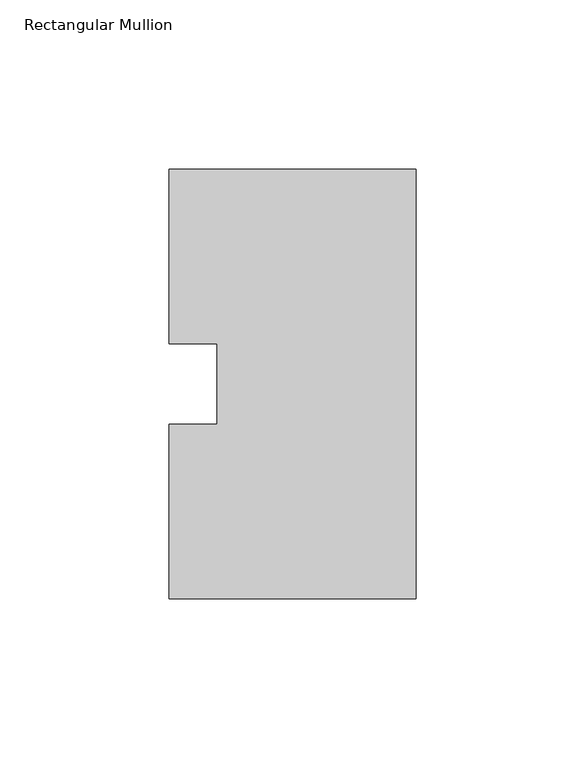
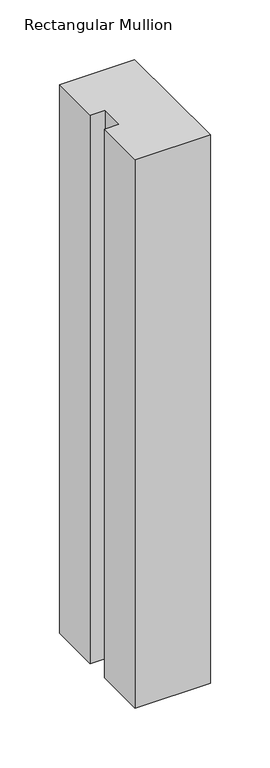
"""IFC4 building model written with IfcOpenShell, lengths in millimetres: member geometry, Rectangular Mullion."""

from ifc_helpers import new_model, si_unit, frame, origin, place, context, project, spatial, polyline, outline, extrude, source, transform, mapped, element, save


def rectangular_mullion_9b964975(model_context):
    return source(origin(), model_context, "Body", "SweptSolid", [
        extrude(outline(polyline([(0.0, 127.00635), (0.0, 0.00635), (-73.025, 0.00635), (-73.025, 51.60645), (-58.7375, 51.60645), (-58.7375, 75.40625), (-73.025, 75.40625), (-73.025, 127.00635), (0.0, 127.00635)])), frame((0.0, 0.0, -562.0178128), z_axis=(0.0, 0.0, 1.0), x_axis=(1.0, 0.0, 0.0)), (0.0, 0.0, 1.0), 562.0178128),
    ])


if __name__ == "__main__":
    model = new_model("IFC4")
    model_context = context("Model", 3, world=origin())
    ifc_project = project(units=[si_unit("LENGTHUNIT", "METRE", prefix="MILLI")], contexts=[model_context])
    site = spatial("IfcSite", under=ifc_project)
    building = spatial("IfcBuilding", under=site)
    placement = place(None, origin())
    rectangular_mullion_shape = rectangular_mullion_9b964975(model_context)
    element("IfcMember", 1, ObjectType="Rectangular Mullion", at=placement, inside=building, context=model_context, shape_type="MappedRepresentation", body=[
        mapped(rectangular_mullion_shape, transform((0.0, 0.0, 0.0), x_axis=(1.0, 0.0, 0.0), y_axis=(0.0, 1.0, 0.0), z_axis=(0.0, 0.0, 1.0))),
    ])
    save(model, "model.ifc")
